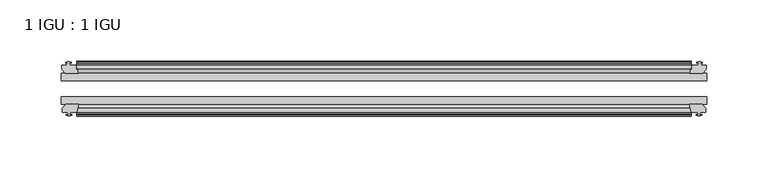
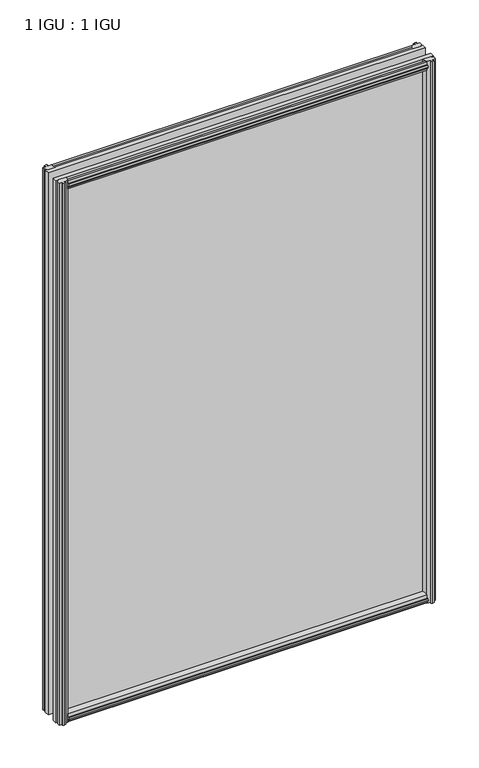
"""IFC4 building model written with IfcOpenShell, lengths in millimetres: plate geometry, 1 IGU : 1 IGU."""

from ifc_helpers import new_model, si_unit, frame, origin, place, context, project, spatial, polyline, outline, extrude, source, transform, mapped, element, save


def plate_1_igu_1_igu_31c89333(model_context):
    return source(origin(), model_context, "Body", "SweptSolid", [
        extrude(outline(polyline([(-25.8960937, 1.1970181), (-19.5460937, -0.5207), (-19.5460937, -5.7277), (-17.1658968, -6.1087), (-17.62583, -4.6931709), (-16.8246158, -4.6931709), (-16.1170937, -6.8707), (-16.8246158, -9.0482291), (-17.62583, -9.0482291), (-17.1658968, -7.6327), (-19.5460937, -8.0137), (-19.5460937, -12.4587), (-22.4924937, -12.4587), (-25.8960937, -9.6243578), (-25.8960937, 1.1970181)])), frame((-250.8249998, 0.0, 0.0), z_axis=(1.0, 0.0, 0.0), x_axis=(0.0, 1.0, 0.0)), (0.0, 0.0, 1.0), 501.6499997),
        extrude(outline(polyline([(-51.2960937, 1.7177181), (-51.2960937, -9.1036578), (-54.6996937, -11.938), (-57.6460937, -11.938), (-57.6460937, -7.493), (-60.0262907, -7.112), (-59.5663575, -8.5275291), (-60.3675717, -8.5275291), (-61.0750937, -6.35), (-60.3675717, -4.1724709), (-59.5663575, -4.1724709), (-60.0262907, -5.588), (-57.6460937, -5.207), (-57.6460937, 0.0), (-51.2960937, 1.7177181)])), frame((-250.8249998, 0.0, 0.0), z_axis=(1.0, 0.0, 0.0), x_axis=(0.0, 1.0, 0.0)), (0.0, 0.0, 1.0), 501.6499997),
        extrude(outline(polyline([(-57.6460937, 786.638), (-54.6996937, 786.638), (-51.2960937, 783.8036578), (-51.2960937, 772.9822819), (-57.6460937, 774.7), (-57.6460937, 779.907), (-60.0262907, 780.288), (-59.5663575, 778.872471), (-60.3675717, 778.872471), (-61.0750937, 781.05), (-60.3675717, 783.2275291), (-59.5663575, 783.2275291), (-60.0262907, 781.812), (-57.6460937, 782.193), (-57.6460937, 786.638)])), frame((-250.8249998, 0.0, 0.0), z_axis=(1.0, 0.0, 0.0), x_axis=(0.0, 1.0, 0.0)), (0.0, 0.0, 1.0), 501.6499997),
        extrude(outline(polyline([(-19.5460937, 787.1587), (-19.5460937, 782.7137), (-17.1658968, 782.3327), (-17.62583, 783.7482291), (-16.8246158, 783.7482291), (-16.1170937, 781.5707), (-16.8246158, 779.393171), (-17.62583, 779.393171), (-17.1658968, 780.8087), (-19.5460937, 780.4277), (-19.5460937, 775.2207), (-25.8960937, 773.5029819), (-25.8960937, 784.3243578), (-22.4924937, 787.1587), (-19.5460937, 787.1587)])), frame((-250.8249998, 0.0, 0.0), z_axis=(1.0, 0.0, 0.0), x_axis=(0.0, 1.0, 0.0)), (0.0, 0.0, 1.0), 501.6499997),
        extrude(outline(polyline([(-257.6956998, -16.1170937), (-255.5181708, -16.8246158), (-255.5181708, -17.62583), (-256.9336998, -17.1658968), (-256.5526998, -19.5460937), (-251.3456998, -19.5460937), (-249.6279818, -25.8960937), (-260.4493577, -25.8960937), (-263.2836998, -22.4924937), (-263.2836998, -19.5460937), (-258.8386998, -19.5460937), (-258.4576998, -17.1658968), (-259.8732289, -17.62583), (-259.8732289, -16.8246158), (-257.6956998, -16.1170937)])), frame((0.0, 0.0, -12.7), z_axis=(0.0, 0.0, 1.0), x_axis=(1.0, 0.0, 0.0)), (0.0, 0.0, 1.0), 800.1),
        extrude(outline(polyline([(-257.1749998, -61.0750938), (-259.3525289, -60.3675717), (-259.3525289, -59.5663575), (-257.9369998, -60.0262907), (-258.3179998, -57.6460938), (-262.7629998, -57.6460938), (-262.7629998, -54.6996938), (-259.9286577, -51.2960937), (-249.1072818, -51.2960937), (-250.8249998, -57.6460938), (-256.0319998, -57.6460938), (-256.4129998, -60.0262907), (-254.9974708, -59.5663575), (-254.9974708, -60.3675717), (-257.1749998, -61.0750938)])), frame((0.0, 0.0, -12.7), z_axis=(0.0, 0.0, 1.0), x_axis=(1.0, 0.0, 0.0)), (0.0, 0.0, 1.0), 800.1),
        extrude(outline(polyline([(256.5526998, -19.5460937), (256.9336998, -17.1658968), (255.5181708, -17.62583), (255.5181708, -16.8246158), (257.6956998, -16.1170937), (259.8732289, -16.8246158), (259.8732289, -17.62583), (258.4576998, -17.1658968), (258.8386998, -19.5460937), (263.2836998, -19.5460937), (263.2836998, -22.4924937), (260.4493577, -25.8960937), (249.6279818, -25.8960937), (251.3456998, -19.5460937), (256.5526998, -19.5460937)])), frame((0.0, 0.0, -12.7), z_axis=(0.0, 0.0, 1.0), x_axis=(1.0, 0.0, 0.0)), (0.0, 0.0, 1.0), 800.1),
        extrude(outline(polyline([(259.9286577, -51.2960937), (262.7629998, -54.6996937), (262.7629998, -57.6460937), (258.3179998, -57.6460937), (257.9369998, -60.0262907), (259.3525289, -59.5663575), (259.3525289, -60.3675717), (257.1749998, -61.0750937), (254.9974708, -60.3675717), (254.9974708, -59.5663575), (256.4129998, -60.0262907), (256.0319998, -57.6460937), (250.8249998, -57.6460937), (249.1072818, -51.2960937), (259.9286577, -51.2960937)])), frame((0.0, 0.0, -12.7), z_axis=(0.0, 0.0, 1.0), x_axis=(1.0, 0.0, 0.0)), (0.0, 0.0, 1.0), 800.1),
        extrude(outline(polyline([(-263.5249998, -25.8960937), (263.5249998, -25.8960937), (263.5249998, -32.2460937), (-263.5249998, -32.2460937), (-263.5249998, -25.8960937)])), frame((0.0, 0.0, -12.7), z_axis=(0.0, 0.0, 1.0), x_axis=(1.0, 0.0, 0.0)), (0.0, 0.0, 1.0), 800.1),
        extrude(outline(polyline([(263.5249998, -45.2686737), (263.5249998, -51.2960937), (-263.5249998, -51.2960937), (-263.5249998, -45.2686737), (263.5249998, -45.2686737)])), frame((0.0, 0.0, -12.7), z_axis=(0.0, 0.0, 1.0), x_axis=(1.0, 0.0, 0.0)), (0.0, 0.0, 1.0), 800.1),
    ])


if __name__ == "__main__":
    model = new_model("IFC4")
    model_context = context("Model", 3, world=origin())
    ifc_project = project(units=[si_unit("LENGTHUNIT", "METRE", prefix="MILLI")], contexts=[model_context])
    site = spatial("IfcSite", under=ifc_project)
    building = spatial("IfcBuilding", under=site)
    placement = place(None, origin())
    plate_1_igu_1_igu_shape = plate_1_igu_1_igu_31c89333(model_context)
    element("IfcPlate", 1, ObjectType="1 IGU : 1 IGU", at=placement, inside=building, context=model_context, shape_type="MappedRepresentation", body=[
        mapped(plate_1_igu_1_igu_shape, transform((0.0, 0.0, 0.0), x_axis=(1.0, 0.0, 0.0), y_axis=(0.0, 1.0, 0.0), z_axis=(0.0, 0.0, 1.0))),
    ])
    save(model, "model.ifc")
